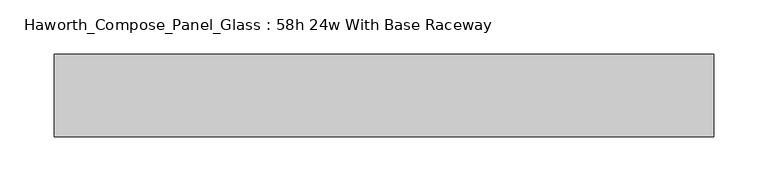
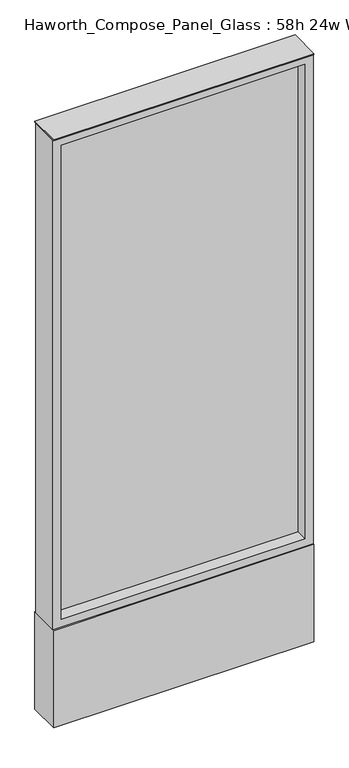
"""IFC4 building model written with IfcOpenShell, lengths in millimetres: furniture geometry, Haworth_Compose_Panel_Glass : 58h 24w With Base Raceway."""

from ifc_helpers import new_model, si_unit, point, frame, frame_2d, origin, origin_with_axes, place, context, project, spatial, polyline, circle_curve, trimmed, segment, composite_curve, outline, extrude, source, transform, mapped, element, save


def haworth_compose_panel_glass_58h_24w_with_base_raceway_2826695f(model_context):
    return source(origin(), model_context, "Body", "SweptSolid", [
        extrude(outline(composite_curve([segment(trimmed(circle_curve(frame_2d((231.0402902, 0.0)), 12.7), [point((218.3402902, 0.0))], [point((243.7402902, 0.0))], False, "CARTESIAN"), True, "CONTINUOUS"), segment(trimmed(circle_curve(frame_2d((231.0402902, 0.0)), 12.7), [point((243.7402902, 0.0))], [point((218.3402902, 0.0))], False, "CARTESIAN"), True, "CONTINUOUS")], self_intersect=False)), origin_with_axes(), (0.0, 0.0, 1.0), 12.7),
        extrude(outline(composite_curve([segment(trimmed(circle_curve(frame_2d((-226.1597098, 0.0)), 12.7), [point((-238.8597098, 0.0))], [point((-213.4597098, 0.0))], False, "CARTESIAN"), True, "CONTINUOUS"), segment(trimmed(circle_curve(frame_2d((-226.1597098, 0.0)), 12.7), [point((-213.4597098, 0.0))], [point((-238.8597098, 0.0))], False, "CARTESIAN"), True, "CONTINUOUS")], self_intersect=False)), origin_with_axes(), (0.0, 0.0, 1.0), 12.7),
        extrude(outline(polyline([(288.1902902, -6.35), (-283.3097098, -6.35), (-283.3097098, 6.35), (288.1902902, 6.35), (288.1902902, -6.35)])), frame((0.0, 0.0, 273.05), z_axis=(0.0, 0.0, 1.0), x_axis=(1.0, 0.0, 0.0)), (0.0, 0.0, 1.0), 1174.75),
        extrude(outline(polyline([(1466.85, -302.3597098), (254.0, -302.3597098), (254.0, 307.2402902), (1466.85, 307.2402902), (1466.85, -302.3597098)]), holes=[polyline([(1447.8, 288.1902902), (273.05, 288.1902902), (273.05, -283.3097098), (1447.8, -283.3097098), (1447.8, 288.1902902)])]), frame((0.0, -34.925, 0.0), z_axis=(0.0, 1.0, 0.0), x_axis=(0.0, 0.0, 1.0)), (0.0, 0.0, 1.0), 69.85),
        extrude(outline(polyline([(-302.3597098, 38.1), (307.2402902, 38.1), (307.2402902, -38.1), (-302.3597098, -38.1), (-302.3597098, 38.1)])), frame((0.0, 0.0, 12.7), z_axis=(0.0, 0.0, 1.0), x_axis=(1.0, 0.0, 0.0)), (0.0, 0.0, 1.0), 241.3),
        extrude(outline(polyline([(-302.3597098, -38.1), (-302.3597098, 38.1), (307.2402902, 38.1), (307.2402902, -38.1), (-302.3597098, -38.1)])), frame((0.0, 0.0, 1466.85), z_axis=(0.0, 0.0, 1.0), x_axis=(1.0, 0.0, 0.0)), (0.0, 0.0, 1.0), 3.175),
    ])


if __name__ == "__main__":
    model = new_model("IFC4")
    model_context = context("Model", 3, world=origin())
    ifc_project = project(units=[si_unit("LENGTHUNIT", "METRE", prefix="MILLI")], contexts=[model_context])
    site = spatial("IfcSite", under=ifc_project)
    building = spatial("IfcBuilding", under=site)
    placement = place(None, origin())
    haworth_compose_panel_glass_58h_24w_with_base_raceway_shape = haworth_compose_panel_glass_58h_24w_with_base_raceway_2826695f(model_context)
    element("IfcFurniture", 1, ObjectType="Haworth_Compose_Panel_Glass : 58h 24w With Base Raceway", at=placement, inside=building, context=model_context, shape_type="MappedRepresentation", body=[
        mapped(haworth_compose_panel_glass_58h_24w_with_base_raceway_shape, transform((0.0, 0.0, 0.0), x_axis=(1.0, 0.0, 0.0), y_axis=(0.0, 1.0, 0.0), z_axis=(0.0, 0.0, 1.0))),
    ])
    save(model, "model.ifc")
